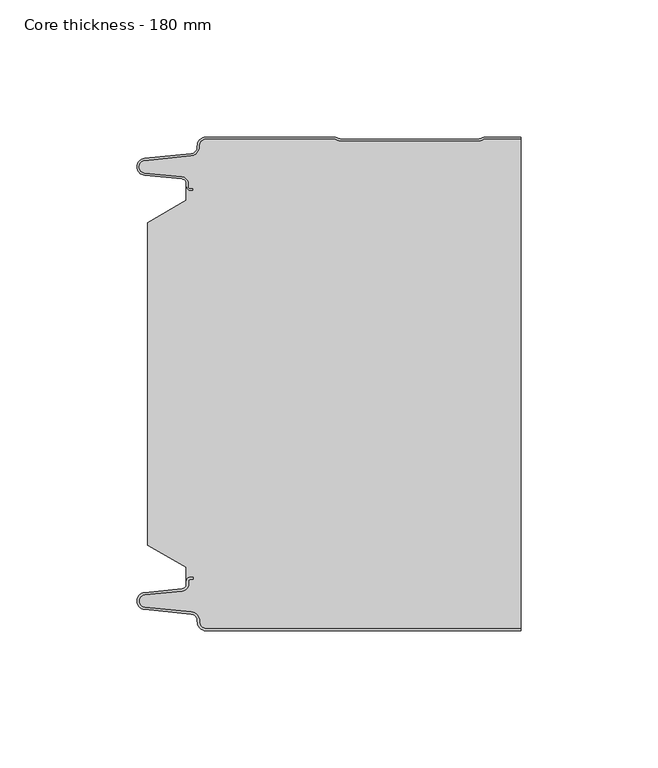
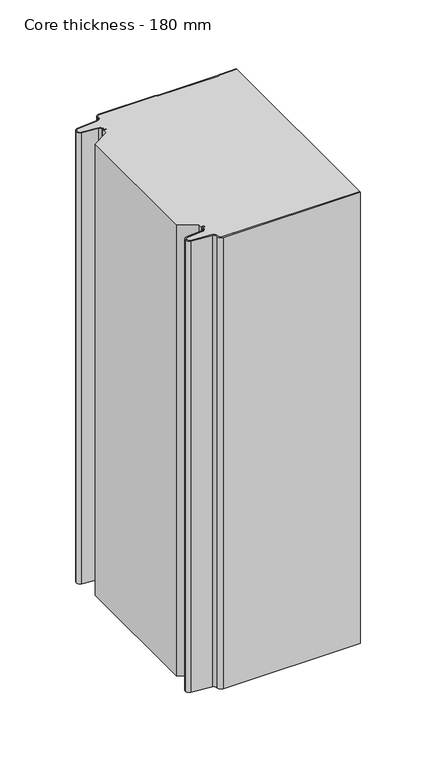
"""IFC4 building model written with IfcOpenShell, lengths in millimetres: plate geometry, Core thickness - 180 mm."""

from ifc_helpers import new_model, si_unit, frame, origin, place, context, project, spatial, polyline, circle_curve, source, transform, mapped, element, save
from ifc_brep_helpers import plane_surface, cylinder_surface, revolved_surface, advanced_brep


def core_thickness_180_mm_49a63801(model_context):
    return source(origin(), model_context, "Body", "AdvancedBrep", [
        advanced_brep(
        [(-44.8000003, -179.9996949, 0.0), (-47.9923632, -176.5787437, 0.0), (-50.2560431, -173.9171154, 0.0), (-67.2115315, -172.2546153, 0.0), (-69.9999998, -169.1776715, 0.0), (-67.2115315, -166.1007278, 0.0), (-53.6195785, -164.7680252, 0.0), (-51.9952277, -162.9766159, 0.0), (-51.9952277, -161.8996949, 0.0), (-50.5952277, -160.4996949, 0.0), (-49.4952277, -160.4996949, 0.0), (-49.4952277, -161.2996949, 0.0), (-50.5952277, -161.2996949, 0.0), (-51.1952277, -161.8996949, 0.0), (-51.1952277, -162.9766159, 0.0), (-53.5415122, -165.5642071, 0.0), (-67.1334652, -166.8969097, 0.0), (-69.1999997, -169.1776715, 0.0), (-67.1334652, -171.4584333, 0.0), (-50.1779767, -173.1209335, 0.0), (-47.2078761, -176.6330399, 0.0), (-44.8000003, -179.1996949, 0.0), (69.9999998, -179.2, 0.0), (69.9999998, -179.9996949, 0.0), (-44.8000003, -179.1996949, 400.0), (-47.1942724, -176.6339815, 400.0), (-50.1779767, -173.1209335, 400.0), (-67.1334652, -171.4584333, 400.0), (-69.1999997, -169.1776715, 400.0), (-67.1334652, -166.8969097, 400.0), (-53.5415122, -165.5642071, 400.0), (-51.1952277, -162.9766159, 400.0), (-51.1952277, -161.8996949, 400.0), (-50.5952277, -161.2996949, 400.0), (-49.4952277, -161.2996949, 400.0), (-49.4952277, -160.4996949, 400.0), (-50.5952277, -160.4996949, 400.0), (-51.9952277, -161.8996949, 400.0), (-51.9952277, -162.9766159, 400.0), (-53.6195785, -164.7680252, 400.0), (-67.2115315, -166.1007278, 400.0), (-69.9999998, -169.1776715, 400.0), (-67.2115315, -172.2546153, 400.0), (-50.2560431, -173.9171154, 400.0), (-48.0059668, -176.5778021, 400.0), (-44.8000003, -179.9996949, 400.0), (69.9999998, -179.9996949, 400.0), (69.9999998, -179.2, 400.0)],
        [
            (0, 1, circle_curve(frame((-44.8000003, -176.7996949, 0.0), z_axis=(0.0, 0.0, -1.0), x_axis=(1.0, 0.0, 0.0)), 3.2)),
            (1, 2, circle_curve(frame((-50.5000003, -176.4051839, 0.0), z_axis=(0.0, 0.0, 1.0), x_axis=(1.0, 0.0, 0.0)), 2.5)),
            (2, 3),
            (3, 4, circle_curve(frame((-66.9100003, -169.1793626, 0.0), z_axis=(0.0, 0.0, -1.0), x_axis=(1.0, 0.0, 0.0)), 3.09)),
            (4, 5, circle_curve(frame((-66.9100003, -169.1759805, 0.0), z_axis=(0.0, 0.0, -1.0), x_axis=(1.0, 0.0, 0.0)), 3.09)),
            (5, 6),
            (6, 7, circle_curve(frame((-53.7952277, -162.9766159, 0.0), z_axis=(0.0, 0.0, 1.0), x_axis=(1.0, 0.0, 0.0)), 1.8)),
            (7, 8),
            (8, 9, circle_curve(frame((-50.5952277, -161.8996949, 0.0), z_axis=(0.0, 0.0, -1.0), x_axis=(1.0, 0.0, 0.0)), 1.4)),
            (9, 10),
            (10, 11),
            (11, 12),
            (12, 13, circle_curve(frame((-50.5952277, -161.8996949, 0.0), z_axis=(0.0, 0.0, 1.0), x_axis=(1.0, 0.0, 0.0)), 0.6)),
            (13, 14),
            (14, 15, circle_curve(frame((-53.7952277, -162.9766159, 0.0), z_axis=(0.0, 0.0, -1.0), x_axis=(1.0, 0.0, 0.0)), 2.6)),
            (15, 16),
            (16, 17, circle_curve(frame((-66.9100003, -169.1759805, 0.0), z_axis=(0.0, 0.0, 1.0), x_axis=(1.0, 0.0, 0.0)), 2.29)),
            (17, 18, circle_curve(frame((-66.9100003, -169.1793626, 0.0), z_axis=(0.0, 0.0, 1.0), x_axis=(1.0, 0.0, 0.0)), 2.29)),
            (18, 19),
            (19, 20, circle_curve(frame((-50.5000003, -176.4051839, 0.0), z_axis=(0.0, 0.0, -1.0), x_axis=(1.0, 0.0, 0.0)), 3.3)),
            (20, 21, circle_curve(frame((-44.8000003, -176.7996949, 0.0), z_axis=(0.0, 0.0, 1.0), x_axis=(1.0, 0.0, 0.0)), 2.4)),
            (21, 22),
            (22, 23),
            (23, 0),
            (24, 25, circle_curve(frame((-44.8000003, -176.7996949, 400.0), z_axis=(0.0, 0.0, -1.0), x_axis=(1.0, 0.0, 0.0)), 2.4)),
            (25, 26, circle_curve(frame((-50.5000003, -176.4051839, 400.0), z_axis=(0.0, 0.0, 1.0), x_axis=(1.0, 0.0, 0.0)), 3.3)),
            (26, 27),
            (27, 28, circle_curve(frame((-66.9100003, -169.1793626, 400.0), z_axis=(0.0, 0.0, -1.0), x_axis=(1.0, 0.0, 0.0)), 2.29)),
            (28, 29, circle_curve(frame((-66.9100003, -169.1759805, 400.0), z_axis=(0.0, 0.0, -1.0), x_axis=(1.0, 0.0, 0.0)), 2.29)),
            (29, 30),
            (30, 31, circle_curve(frame((-53.7952277, -162.9766159, 400.0), z_axis=(0.0, 0.0, 1.0), x_axis=(1.0, 0.0, 0.0)), 2.6)),
            (31, 32),
            (32, 33, circle_curve(frame((-50.5952277, -161.8996949, 400.0), z_axis=(0.0, 0.0, -1.0), x_axis=(1.0, 0.0, 0.0)), 0.6)),
            (33, 34),
            (34, 35),
            (35, 36),
            (36, 37, circle_curve(frame((-50.5952277, -161.8996949, 400.0), z_axis=(0.0, 0.0, 1.0), x_axis=(1.0, 0.0, 0.0)), 1.4)),
            (37, 38),
            (38, 39, circle_curve(frame((-53.7952277, -162.9766159, 400.0), z_axis=(0.0, 0.0, -1.0), x_axis=(1.0, 0.0, 0.0)), 1.8)),
            (39, 40),
            (40, 41, circle_curve(frame((-66.9100003, -169.1759805, 400.0), z_axis=(0.0, 0.0, 1.0), x_axis=(1.0, 0.0, 0.0)), 3.09)),
            (41, 42, circle_curve(frame((-66.9100003, -169.1793626, 400.0), z_axis=(0.0, 0.0, 1.0), x_axis=(1.0, 0.0, 0.0)), 3.09)),
            (42, 43),
            (43, 44, circle_curve(frame((-50.5000003, -176.4051839, 400.0), z_axis=(0.0, 0.0, -1.0), x_axis=(1.0, 0.0, 0.0)), 2.5)),
            (44, 45, circle_curve(frame((-44.8000003, -176.7996949, 400.0), z_axis=(0.0, 0.0, 1.0), x_axis=(1.0, 0.0, 0.0)), 3.2)),
            (45, 46),
            (46, 47),
            (47, 24),
            (21, 24),
            (47, 22),
            (20, 25),
            (19, 26),
            (18, 27),
            (17, 28),
            (16, 29),
            (15, 30),
            (14, 31),
            (13, 32),
            (12, 33),
            (11, 34),
            (10, 35),
            (9, 36),
            (8, 37),
            (7, 38),
            (6, 39),
            (5, 40),
            (4, 41),
            (3, 42),
            (2, 43),
            (1, 44),
            (0, 45),
            (23, 46),
        ],
        [
            plane_surface(frame((-69.9999998, -180.0, 0.0), z_axis=(0.0, 0.0, -1.0), x_axis=(0.0, 1.0, 0.0))),
            plane_surface(frame((-69.9999998, -180.0, 400.0), z_axis=(0.0, 0.0, 1.0), x_axis=(0.0, 1.0, 0.0))),
            plane_surface(frame((-44.8000003, -179.2, 0.0), z_axis=(0.0, 1.0, 0.0), x_axis=(0.0, 0.0, 1.0))),
            revolved_surface(polyline([(-42.4000003, -176.7996949, 400.0), (-42.4000003, -176.7996949, 0.0)]), (-44.8000003, -176.7996949, 0.0), (0.0, 0.0, 1.0)),
            cylinder_surface(frame((-50.5000003, -176.4051839, 0.0), z_axis=(0.0, 0.0, -1.0), x_axis=(1.0, 0.0, 0.0)), 3.3),
            plane_surface(frame((-67.1334652, -171.4584333, 0.0), z_axis=(0.09758289975914758, 0.9952273999818314, 0.0), x_axis=(0.0, 0.0, 1.0))),
            revolved_surface(polyline([(-64.62000029999999, -169.1793626, 400.0), (-64.62000029999999, -169.1793626, 0.0)]), (-66.9100003, -169.1793626, 0.0), (0.0, 0.0, 1.0)),
            revolved_surface(polyline([(-64.62000029999999, -169.1759805, 400.0), (-64.62000029999999, -169.1759805, 0.0)]), (-66.9100003, -169.1759805, 0.0), (0.0, 0.0, 1.0)),
            plane_surface(frame((-53.5415122, -165.5642071, 0.0), z_axis=(0.09758289975914383, -0.9952273999818317, 0.0), x_axis=(0.0, 0.0, 1.0))),
            cylinder_surface(frame((-53.7952277, -162.9766159, 0.0), z_axis=(0.0, 0.0, -1.0), x_axis=(1.0, 0.0, 0.0)), 2.6),
            plane_surface(frame((-51.1952277, -161.8996949, 0.0), z_axis=(1.0, 0.0, 0.0), x_axis=(0.0, 0.0, 1.0))),
            revolved_surface(polyline([(-49.9952277, -161.8996949, 400.0), (-49.9952277, -161.8996949, 0.0)]), (-50.5952277, -161.8996949, 0.0), (0.0, 0.0, 1.0)),
            plane_surface(frame((-49.4952277, -161.2996949, 0.0), z_axis=(0.0, -1.0, 0.0), x_axis=(0.0, 0.0, 1.0))),
            plane_surface(frame((-49.4952277, -160.4996949, 0.0), z_axis=(1.0, 0.0, 0.0), x_axis=(0.0, 0.0, 1.0))),
            plane_surface(frame((-50.5952277, -160.4996949, 0.0), z_axis=(0.0, 1.0, 0.0), x_axis=(0.0, 0.0, 1.0))),
            cylinder_surface(frame((-50.5952277, -161.8996949, 0.0), z_axis=(0.0, 0.0, -1.0), x_axis=(1.0, 0.0, 0.0)), 1.4),
            plane_surface(frame((-51.9952277, -162.9766159, 0.0), z_axis=(-1.0, 0.0, 0.0), x_axis=(0.0, 0.0, 1.0))),
            revolved_surface(polyline([(-51.9952277, -162.9766159, 400.0), (-51.9952277, -162.9766159, 0.0)]), (-53.7952277, -162.9766159, 0.0), (0.0, 0.0, 1.0)),
            plane_surface(frame((-67.2115315, -166.1007278, 0.0), z_axis=(-0.09758289975914387, 0.9952273999818317, 0.0), x_axis=(0.0, 0.0, 1.0))),
            cylinder_surface(frame((-66.9100003, -169.1759805, 0.0), z_axis=(0.0, 0.0, -1.0), x_axis=(1.0, 0.0, 0.0)), 3.09),
            cylinder_surface(frame((-66.9100003, -169.1793626, 0.0), z_axis=(0.0, 0.0, -1.0), x_axis=(1.0, 0.0, 0.0)), 3.09),
            plane_surface(frame((-50.2560431, -173.9171154, 0.0), z_axis=(-0.09758289975914762, -0.9952273999818314, 0.0), x_axis=(0.0, 0.0, 1.0))),
            revolved_surface(polyline([(-48.0000003, -176.4051839, 400.0), (-48.0000003, -176.4051839, 0.0)]), (-50.5000003, -176.4051839, 0.0), (0.0, 0.0, 1.0)),
            cylinder_surface(frame((-44.8000003, -176.7996949, 0.0), z_axis=(0.0, 0.0, -1.0), x_axis=(1.0, 0.0, 0.0)), 3.2),
            plane_surface(frame((1046.009932, -179.9996949, 0.0), z_axis=(0.0, -1.0, 0.0), x_axis=(0.0, 0.0, 1.0))),
            plane_surface(frame((69.9999998, 180.0, 400.0), z_axis=(1.0, 0.0, 0.0), x_axis=(0.0, 0.0, -1.0))),
        ],
        [
            (0, [[1, 2, 3, 4, 5, 6, 7, 8, 9, 10, 11, 12, 13, 14, 15, 16, 17, 18, 19, 20, 21, 22, 23, 24]]),
            (1, [[25, 26, 27, 28, 29, 30, 31, 32, 33, 34, 35, 36, 37, 38, 39, 40, 41, 42, 43, 44, 45, 46, 47, 48]]),
            (2, [[49, -48, 50, -22]]),
            (3, [[-21, 51, -25, -49]]),
            (4, [[-20, 52, -26, -51]]),
            (5, [[-19, 53, -27, -52]]),
            (6, [[-18, 54, -28, -53]]),
            (7, [[-17, 55, -29, -54]]),
            (8, [[-16, 56, -30, -55]]),
            (9, [[-15, 57, -31, -56]]),
            (10, [[-14, 58, -32, -57]]),
            (11, [[-13, 59, -33, -58]]),
            (12, [[-12, 60, -34, -59]]),
            (13, [[-11, 61, -35, -60]]),
            (14, [[-10, 62, -36, -61]]),
            (15, [[-9, 63, -37, -62]]),
            (16, [[-8, 64, -38, -63]]),
            (17, [[-7, 65, -39, -64]]),
            (18, [[-6, 66, -40, -65]]),
            (19, [[-5, 67, -41, -66]]),
            (20, [[-4, 68, -42, -67]]),
            (21, [[-3, 69, -43, -68]]),
            (22, [[-2, 70, -44, -69]]),
            (23, [[-1, 71, -45, -70]]),
            (24, [[-71, -24, 72, -46]]),
            (25, [[-23, -50, -47, -72]]),
        ],
    ),
        advanced_brep(
        [(-51.9952277, -23.1062917, 400.0), (-66.0446509, -31.1628062, 400.0), (-66.0446509, -148.7531937, 400.0), (-51.9952277, -156.8937083, 400.0), (-51.9952277, -160.4996949, 400.0), (-51.9952277, -161.8996949, 400.0), (-50.5952277, -160.4996949, 400.0), (-49.4952277, -160.4996949, 400.0), (-49.4952277, -161.2996949, 400.0), (-50.5952277, -161.2996949, 400.0), (-51.1952277, -161.8996949, 400.0), (-51.1952277, -162.9766159, 400.0), (-53.5415122, -165.5642071, 400.0), (-67.1334652, -166.8969097, 400.0), (-69.1999997, -169.1776715, 400.0), (-67.1334652, -171.4584333, 400.0), (-50.1779767, -173.1209335, 400.0), (-47.2078761, -176.6330399, 400.0), (-44.8000003, -179.1996949, 400.0), (69.9999998, -179.2, 400.0), (69.9999998, -0.8, 400.0), (57.0487965, -0.8, 400.0), (55.9973806, -1.0986697, 400.0), (54.5769997, -1.5003051, 400.0), (4.4172165, -1.5003051, 400.0), (2.9978051, -1.0971009, 400.0), (1.9454197, -0.8, 400.0), (-44.8000003, -0.8, 400.0), (-47.1942724, -3.3660185, 400.0), (-50.1779767, -6.8790665, 400.0), (-67.1334652, -8.5415667, 400.0), (-69.1999997, -10.8223285, 400.0), (-67.1334652, -13.1030903, 400.0), (-53.5415122, -14.4357929, 400.0), (-51.1952277, -17.0233841, 400.0), (-51.1952277, -18.1003051, 400.0), (-50.5952277, -18.7003051, 400.0), (-49.4952277, -18.7003051, 400.0), (-49.4952277, -19.5003051, 400.0), (-50.5952277, -19.5003051, 400.0), (-51.9952277, -18.1003051, 400.0), (-51.9952277, -19.5003051, 400.0), (-51.9952277, -156.8937083, 0.0), (-66.0446509, -148.7531937, 0.0), (-66.0446509, -31.1628062, 0.0), (-51.9952277, -23.1062917, 0.0), (-51.9952277, -19.5003051, 0.0), (-51.9952277, -18.1003051, 0.0), (-50.5952277, -19.5003051, 0.0), (-49.4952277, -19.5003051, 0.0), (-49.4952277, -18.7003051, 0.0), (-50.5952277, -18.7003051, 0.0), (-51.1952277, -18.1003051, 0.0), (-51.1952277, -17.0233841, 0.0), (-53.5415122, -14.4357929, 0.0), (-67.1334652, -13.1030903, 0.0), (-69.1999997, -10.8223285, 0.0), (-67.1334652, -8.5415667, 0.0), (-50.1779767, -6.8790665, 0.0), (-47.2078761, -3.3669601, 0.0), (-44.8000003, -0.8003051, 0.0), (1.9454197, -0.8, 0.0), (2.9968355, -1.0986697, 0.0), (4.4172165, -1.5003051, 0.0), (54.5769997, -1.5003051, 0.0), (55.9964111, -1.0971009, 0.0), (57.0487965, -0.8, 0.0), (69.9999998, -0.8, 0.0), (69.9999998, -179.2, 0.0), (-44.8000003, -179.2, 0.0), (-47.1942724, -176.6339815, 0.0), (-50.1779767, -173.1209335, 0.0), (-67.1334652, -171.4584333, 0.0), (-69.1999997, -169.1776715, 0.0), (-67.1334652, -166.8969097, 0.0), (-53.5415122, -165.5642071, 0.0), (-51.1952277, -162.9766159, 0.0), (-51.1952277, -161.8996949, 0.0), (-50.5952277, -161.2996949, 0.0), (-49.4952277, -161.2996949, 0.0), (-49.4952277, -160.4996949, 0.0), (-50.5952277, -160.4996949, 0.0), (-51.9952277, -161.8996949, 0.0), (-51.9952277, -160.4996949, 0.0)],
        [
            (0, 1),
            (1, 2),
            (2, 3),
            (3, 4),
            (4, 5),
            (5, 6, circle_curve(frame((-50.5952277, -161.8996949, 400.0), z_axis=(0.0, 0.0, -1.0), x_axis=(1.0, 0.0, 0.0)), 1.4)),
            (6, 7),
            (7, 8),
            (8, 9),
            (9, 10, circle_curve(frame((-50.5952277, -161.8996949, 400.0), z_axis=(0.0, 0.0, 1.0), x_axis=(1.0, 0.0, 0.0)), 0.6)),
            (10, 11),
            (11, 12, circle_curve(frame((-53.7952277, -162.9766159, 400.0), z_axis=(0.0, 0.0, -1.0), x_axis=(1.0, 0.0, 0.0)), 2.6)),
            (12, 13),
            (13, 14, circle_curve(frame((-66.9100003, -169.1759805, 400.0), z_axis=(0.0, 0.0, 1.0), x_axis=(1.0, 0.0, 0.0)), 2.29)),
            (14, 15, circle_curve(frame((-66.9100003, -169.1793626, 400.0), z_axis=(0.0, 0.0, 1.0), x_axis=(1.0, 0.0, 0.0)), 2.29)),
            (15, 16),
            (16, 17, circle_curve(frame((-50.5000003, -176.4051839, 400.0), z_axis=(0.0, 0.0, -1.0), x_axis=(1.0, 0.0, 0.0)), 3.3)),
            (17, 18, circle_curve(frame((-44.8000003, -176.7996949, 400.0), z_axis=(0.0, 0.0, 1.0), x_axis=(1.0, 0.0, 0.0)), 2.4)),
            (18, 19),
            (19, 20),
            (20, 21),
            (21, 22, circle_curve(frame((57.0487965, -2.8, 400.0), z_axis=(0.0, 0.0, 1.0), x_axis=(1.0, 0.0, 0.0)), 2.0)),
            (22, 23, circle_curve(frame((54.5769997, 1.1996949, 400.0), z_axis=(0.0, 0.0, -1.0), x_axis=(1.0, 0.0, 0.0)), 2.7)),
            (23, 24),
            (24, 25, circle_curve(frame((4.4172165, 1.1996949, 400.0), z_axis=(0.0, 0.0, -1.0), x_axis=(1.0, 0.0, 0.0)), 2.7)),
            (25, 26, circle_curve(frame((1.9454197, -2.8, 400.0), z_axis=(0.0, 0.0, 1.0), x_axis=(1.0, 0.0, 0.0)), 2.0)),
            (26, 27),
            (27, 28, circle_curve(frame((-44.8000003, -3.2003051, 400.0), z_axis=(0.0, 0.0, 1.0), x_axis=(1.0, 0.0, 0.0)), 2.4)),
            (28, 29, circle_curve(frame((-50.5000003, -3.5948161, 400.0), z_axis=(0.0, 0.0, -1.0), x_axis=(1.0, 0.0, 0.0)), 3.3)),
            (29, 30),
            (30, 31, circle_curve(frame((-66.9100003, -10.8206374, 400.0), z_axis=(0.0, 0.0, 1.0), x_axis=(1.0, 0.0, 0.0)), 2.29)),
            (31, 32, circle_curve(frame((-66.9100003, -10.8240195, 400.0), z_axis=(0.0, 0.0, 1.0), x_axis=(1.0, 0.0, 0.0)), 2.29)),
            (32, 33),
            (33, 34, circle_curve(frame((-53.7952277, -17.0233841, 400.0), z_axis=(0.0, 0.0, -1.0), x_axis=(1.0, 0.0, 0.0)), 2.6)),
            (34, 35),
            (35, 36, circle_curve(frame((-50.5952277, -18.1003051, 400.0), z_axis=(0.0, 0.0, 1.0), x_axis=(1.0, 0.0, 0.0)), 0.6)),
            (36, 37),
            (37, 38),
            (38, 39),
            (39, 40, circle_curve(frame((-50.5952277, -18.1003051, 400.0), z_axis=(0.0, 0.0, -1.0), x_axis=(1.0, 0.0, 0.0)), 1.4)),
            (40, 41),
            (41, 0),
            (42, 43),
            (43, 44),
            (44, 45),
            (45, 46),
            (46, 47),
            (47, 48, circle_curve(frame((-50.5952277, -18.1003051, 0.0), z_axis=(0.0, 0.0, 1.0), x_axis=(1.0, 0.0, 0.0)), 1.4)),
            (48, 49),
            (49, 50),
            (50, 51),
            (51, 52, circle_curve(frame((-50.5952277, -18.1003051, 0.0), z_axis=(0.0, 0.0, -1.0), x_axis=(1.0, 0.0, 0.0)), 0.6)),
            (52, 53),
            (53, 54, circle_curve(frame((-53.7952277, -17.0233841, 0.0), z_axis=(0.0, 0.0, 1.0), x_axis=(1.0, 0.0, 0.0)), 2.6)),
            (54, 55),
            (55, 56, circle_curve(frame((-66.9100003, -10.8240195, 0.0), z_axis=(0.0, 0.0, -1.0), x_axis=(1.0, 0.0, 0.0)), 2.29)),
            (56, 57, circle_curve(frame((-66.9100003, -10.8206374, 0.0), z_axis=(0.0, 0.0, -1.0), x_axis=(1.0, 0.0, 0.0)), 2.29)),
            (57, 58),
            (58, 59, circle_curve(frame((-50.5000003, -3.5948161, 0.0), z_axis=(0.0, 0.0, 1.0), x_axis=(1.0, 0.0, 0.0)), 3.3)),
            (59, 60, circle_curve(frame((-44.8000003, -3.2003051, 0.0), z_axis=(0.0, 0.0, -1.0), x_axis=(1.0, 0.0, 0.0)), 2.4)),
            (60, 61),
            (61, 62, circle_curve(frame((1.9454197, -2.8, 0.0), z_axis=(0.0, 0.0, -1.0), x_axis=(1.0, 0.0, 0.0)), 2.0)),
            (62, 63, circle_curve(frame((4.4172165, 1.1996949, 0.0), z_axis=(0.0, 0.0, 1.0), x_axis=(1.0, 0.0, 0.0)), 2.7)),
            (63, 64),
            (64, 65, circle_curve(frame((54.5769997, 1.1996949, 0.0), z_axis=(0.0, 0.0, 1.0), x_axis=(1.0, 0.0, 0.0)), 2.7)),
            (65, 66, circle_curve(frame((57.0487965, -2.8, 0.0), z_axis=(0.0, 0.0, -1.0), x_axis=(1.0, 0.0, 0.0)), 2.0)),
            (66, 67),
            (67, 68),
            (68, 69),
            (69, 70, circle_curve(frame((-44.8000003, -176.7996949, 0.0), z_axis=(0.0, 0.0, -1.0), x_axis=(1.0, 0.0, 0.0)), 2.4)),
            (70, 71, circle_curve(frame((-50.5000003, -176.4051839, 0.0), z_axis=(0.0, 0.0, 1.0), x_axis=(1.0, 0.0, 0.0)), 3.3)),
            (71, 72),
            (72, 73, circle_curve(frame((-66.9100003, -169.1793626, 0.0), z_axis=(0.0, 0.0, -1.0), x_axis=(1.0, 0.0, 0.0)), 2.29)),
            (73, 74, circle_curve(frame((-66.9100003, -169.1759805, 0.0), z_axis=(0.0, 0.0, -1.0), x_axis=(1.0, 0.0, 0.0)), 2.29)),
            (74, 75),
            (75, 76, circle_curve(frame((-53.7952277, -162.9766159, 0.0), z_axis=(0.0, 0.0, 1.0), x_axis=(1.0, 0.0, 0.0)), 2.6)),
            (76, 77),
            (77, 78, circle_curve(frame((-50.5952277, -161.8996949, 0.0), z_axis=(0.0, 0.0, -1.0), x_axis=(1.0, 0.0, 0.0)), 0.6)),
            (78, 79),
            (79, 80),
            (80, 81),
            (81, 82, circle_curve(frame((-50.5952277, -161.8996949, 0.0), z_axis=(0.0, 0.0, 1.0), x_axis=(1.0, 0.0, 0.0)), 1.4)),
            (82, 83),
            (83, 42),
            (45, 0),
            (40, 47),
            (1, 44),
            (43, 2),
            (42, 3),
            (82, 5),
            (18, 69),
            (68, 19),
            (17, 70),
            (16, 71),
            (15, 72),
            (14, 73),
            (13, 74),
            (12, 75),
            (11, 76),
            (10, 77),
            (9, 78),
            (8, 79),
            (7, 80),
            (6, 81),
            (60, 27),
            (26, 61),
            (25, 62),
            (24, 63),
            (23, 64),
            (22, 65),
            (21, 66),
            (20, 67),
            (39, 48),
            (38, 49),
            (37, 50),
            (36, 51),
            (35, 52),
            (34, 53),
            (33, 54),
            (32, 55),
            (31, 56),
            (30, 57),
            (29, 58),
            (28, 59),
        ],
        [
            plane_surface(frame((-69.9999998, 0.0, 400.0), z_axis=(0.0, 0.0, 1.0), x_axis=(0.0, -1.0, 0.0))),
            plane_surface(frame((-69.9999998, 0.0, 0.0), z_axis=(0.0, 0.0, -1.0), x_axis=(0.0, -1.0, 0.0))),
            plane_surface(frame((-51.9952277, -17.0229218, 400.0), z_axis=(-1.0, 0.0, 0.0), x_axis=(0.0, 0.0, -1.0))),
            plane_surface(frame((-66.0446509, -31.1628062, 400.0), z_axis=(-1.0, 0.0, 0.0), x_axis=(0.0, 0.0, -1.0))),
            plane_surface(frame((-51.9952277, -23.1062917, 400.0), z_axis=(-0.4974543664933155, 0.8674901459133322, 0.0), x_axis=(0.0, 0.0, -1.0))),
            plane_surface(frame((-66.0446509, -148.7531937, 400.0), z_axis=(-0.5013424225369615, -0.8652489672717159, 0.0), x_axis=(0.0, 0.0, -1.0))),
            plane_surface(frame((-51.9952277, -156.8937083, 400.0), z_axis=(-1.0, 0.0, 0.0), x_axis=(0.0, 0.0, -1.0))),
            plane_surface(frame((1046.009932, -179.2, 530.0), z_axis=(0.0, -1.0, 0.0), x_axis=(0.0, 0.0, -1.0))),
            cylinder_surface(frame((-44.8000003, -176.7996949, 530.0), z_axis=(0.0, 0.0, -1.0), x_axis=(1.0, 0.0, 0.0)), 2.4),
            revolved_surface(polyline([(-47.200000300000006, -176.4051839, 400.0), (-47.200000300000006, -176.4051839, 0.0)]), (-50.5000003, -176.4051839, 530.0), (0.0, 0.0, 1.0)),
            plane_surface(frame((-50.1779767, -173.1209335, 530.0), z_axis=(-0.09758289975914758, -0.9952273999818314, 0.0), x_axis=(0.0, 0.0, -1.0))),
            cylinder_surface(frame((-66.9100003, -169.1793626, 530.0), z_axis=(0.0, 0.0, -1.0), x_axis=(1.0, 0.0, 0.0)), 2.29),
            cylinder_surface(frame((-66.9100003, -169.1759805, 530.0), z_axis=(0.0, 0.0, -1.0), x_axis=(1.0, 0.0, 0.0)), 2.29),
            plane_surface(frame((-67.1334652, -166.8969097, 530.0), z_axis=(-0.09758289975914383, 0.9952273999818317, 0.0), x_axis=(0.0, 0.0, -1.0))),
            revolved_surface(polyline([(-51.1952277, -162.9766159, 400.0), (-51.1952277, -162.9766159, 0.0)]), (-53.7952277, -162.9766159, 530.0), (0.0, 0.0, 1.0)),
            plane_surface(frame((-51.1952277, -162.9766159, 530.0), z_axis=(-1.0, 0.0, 0.0), x_axis=(0.0, 0.0, -1.0))),
            cylinder_surface(frame((-50.5952277, -161.8996949, 530.0), z_axis=(0.0, 0.0, -1.0), x_axis=(1.0, 0.0, 0.0)), 0.6),
            plane_surface(frame((-50.5952277, -161.2996949, 530.0), z_axis=(0.0, 1.0, 0.0), x_axis=(0.0, 0.0, -1.0))),
            plane_surface(frame((-49.4952277, -161.2996949, 530.0), z_axis=(-1.0, 0.0, 0.0), x_axis=(0.0, 0.0, -1.0))),
            plane_surface(frame((-49.4952277, -160.4996949, 530.0), z_axis=(0.0, -1.0, 0.0), x_axis=(0.0, 0.0, -1.0))),
            revolved_surface(polyline([(-49.195227700000004, -161.8996949, 400.0), (-49.195227700000004, -161.8996949, 0.0)]), (-50.5952277, -161.8996949, 530.0), (0.0, 0.0, 1.0)),
            plane_surface(frame((-44.8000003, -0.8, 530.0), z_axis=(0.0, 1.0, 0.0), x_axis=(0.0, 0.0, -1.0))),
            cylinder_surface(frame((1.9454197, -2.8, 530.0), z_axis=(0.0, 0.0, -1.0), x_axis=(1.0, 0.0, 0.0)), 2.0),
            revolved_surface(polyline([(7.1172165000000005, 1.1996949, 400.0), (7.1172165000000005, 1.1996949, 0.0)]), (4.4172165, 1.1996949, 530.0), (0.0, 0.0, 1.0)),
            plane_surface(frame((4.4172165, -1.5003051, 530.0), z_axis=(0.0, 1.0, 0.0), x_axis=(0.0, 0.0, -1.0))),
            revolved_surface(polyline([(57.276999700000005, 1.1996949, 400.0), (57.276999700000005, 1.1996949, 0.0)]), (54.5769997, 1.1996949, 530.0), (0.0, 0.0, 1.0)),
            cylinder_surface(frame((57.0487965, -2.8, 530.0), z_axis=(0.0, 0.0, -1.0), x_axis=(1.0, 0.0, 0.0)), 2.0),
            plane_surface(frame((57.0487965, -0.8, 530.0), z_axis=(0.0, 1.0, 0.0), x_axis=(0.0, 0.0, -1.0))),
            revolved_surface(polyline([(-49.195227700000004, -18.1003051, 400.0), (-49.195227700000004, -18.1003051, 0.0)]), (-50.5952277, -18.1003051, 530.0), (0.0, 0.0, 1.0)),
            plane_surface(frame((-50.5952277, -19.5003051, 530.0), z_axis=(0.0, 1.0, 0.0), x_axis=(0.0, 0.0, -1.0))),
            plane_surface(frame((-49.4952277, -19.5003051, 530.0), z_axis=(-1.0, 0.0, 0.0), x_axis=(0.0, 0.0, -1.0))),
            plane_surface(frame((-49.4952277, -18.7003051, 530.0), z_axis=(0.0, -1.0, 0.0), x_axis=(0.0, 0.0, -1.0))),
            cylinder_surface(frame((-50.5952277, -18.1003051, 530.0), z_axis=(0.0, 0.0, -1.0), x_axis=(1.0, 0.0, 0.0)), 0.6),
            plane_surface(frame((-51.1952277, -18.1003051, 530.0), z_axis=(-1.0, 0.0, 0.0), x_axis=(0.0, 0.0, -1.0))),
            revolved_surface(polyline([(-51.1952277, -17.0233841, 400.0), (-51.1952277, -17.0233841, 0.0)]), (-53.7952277, -17.0233841, 530.0), (0.0, 0.0, 1.0)),
            plane_surface(frame((-53.5415122, -14.4357929, 530.0), z_axis=(-0.09758289975914705, -0.9952273999818314, 0.0), x_axis=(0.0, 0.0, -1.0))),
            cylinder_surface(frame((-66.9100003, -10.8240195, 530.0), z_axis=(0.0, 0.0, -1.0), x_axis=(1.0, 0.0, 0.0)), 2.29),
            cylinder_surface(frame((-66.9100003, -10.8206374, 530.0), z_axis=(0.0, 0.0, -1.0), x_axis=(1.0, 0.0, 0.0)), 2.29),
            plane_surface(frame((-67.1334652, -8.5415667, 530.0), z_axis=(-0.09758289975914436, 0.9952273999818317, 0.0), x_axis=(0.0, 0.0, -1.0))),
            revolved_surface(polyline([(-47.200000300000006, -3.5948161, 400.0), (-47.200000300000006, -3.5948161, 0.0)]), (-50.5000003, -3.5948161, 530.0), (0.0, 0.0, 1.0)),
            cylinder_surface(frame((-44.8000003, -3.2003051, 530.0), z_axis=(0.0, 0.0, -1.0), x_axis=(1.0, 0.0, 0.0)), 2.4),
            plane_surface(frame((69.9999998, 180.0, 400.0), z_axis=(1.0, 0.0, 0.0), x_axis=(0.0, 0.0, -1.0))),
        ],
        [
            (0, [[1, 2, 3, 4, 5, 6, 7, 8, 9, 10, 11, 12, 13, 14, 15, 16, 17, 18, 19, 20, 21, 22, 23, 24, 25, 26, 27, 28, 29, 30, 31, 32, 33, 34, 35, 36, 37, 38, 39, 40, 41, 42]]),
            (1, [[43, 44, 45, 46, 47, 48, 49, 50, 51, 52, 53, 54, 55, 56, 57, 58, 59, 60, 61, 62, 63, 64, 65, 66, 67, 68, 69, 70, 71, 72, 73, 74, 75, 76, 77, 78, 79, 80, 81, 82, 83, 84]]),
            (2, [[85, -42, -41, 86, -47, -46]]),
            (3, [[-2, 87, -44, 88]]),
            (4, [[-1, -85, -45, -87]]),
            (5, [[-3, -88, -43, 89]]),
            (6, [[-89, -84, -83, 90, -5, -4]]),
            (7, [[91, -69, 92, -19]]),
            (8, [[-91, -18, 93, -70]]),
            (9, [[-93, -17, 94, -71]]),
            (10, [[-94, -16, 95, -72]]),
            (11, [[-95, -15, 96, -73]]),
            (12, [[-96, -14, 97, -74]]),
            (13, [[-97, -13, 98, -75]]),
            (14, [[-98, -12, 99, -76]]),
            (15, [[-99, -11, 100, -77]]),
            (16, [[-100, -10, 101, -78]]),
            (17, [[-101, -9, 102, -79]]),
            (18, [[-102, -8, 103, -80]]),
            (19, [[-103, -7, 104, -81]]),
            (20, [[-104, -6, -90, -82]]),
            (21, [[105, -27, 106, -61]]),
            (22, [[-106, -26, 107, -62]]),
            (23, [[-107, -25, 108, -63]]),
            (24, [[-108, -24, 109, -64]]),
            (25, [[-109, -23, 110, -65]]),
            (26, [[-110, -22, 111, -66]]),
            (27, [[-111, -21, 112, -67]]),
            (28, [[113, -48, -86, -40]]),
            (29, [[-113, -39, 114, -49]]),
            (30, [[-114, -38, 115, -50]]),
            (31, [[-115, -37, 116, -51]]),
            (32, [[-116, -36, 117, -52]]),
            (33, [[-117, -35, 118, -53]]),
            (34, [[-118, -34, 119, -54]]),
            (35, [[-119, -33, 120, -55]]),
            (36, [[-120, -32, 121, -56]]),
            (37, [[-121, -31, 122, -57]]),
            (38, [[-122, -30, 123, -58]]),
            (39, [[-123, -29, 124, -59]]),
            (40, [[-105, -60, -124, -28]]),
            (41, [[-92, -68, -112, -20]]),
        ],
    ),
        advanced_brep(
        [(2.9968355, -1.0986697, 0.0), (1.9454197, -0.8, 0.0), (-44.8000003, -0.8, 0.0), (-47.1942724, -3.3660185, 0.0), (-50.1779767, -6.8790665, 0.0), (-67.1334652, -8.5415667, 0.0), (-69.1999997, -10.8223285, 0.0), (-67.1334652, -13.1030903, 0.0), (-53.5415122, -14.4357929, 0.0), (-51.1952277, -17.0233841, 0.0), (-51.1952277, -18.1003051, 0.0), (-50.5952277, -18.7003051, 0.0), (-49.4952277, -18.7003051, 0.0), (-49.4952277, -19.5003051, 0.0), (-50.5952277, -19.5003051, 0.0), (-51.9952277, -18.1003051, 0.0), (-51.9952277, -17.0233841, 0.0), (-53.6195785, -15.2319748, 0.0), (-67.2115315, -13.8992722, 0.0), (-69.9999998, -10.8223285, 0.0), (-67.2115315, -7.7453847, 0.0), (-50.2560431, -6.0828846, 0.0), (-48.0059668, -3.4221979, 0.0), (-44.8000003, -0.0003051, 0.0), (1.9454197, -0.0003051, 0.0), (3.3647528, -0.4034608, 0.0), (4.4172165, -0.7003051, 0.0), (54.5769997, -0.7003051, 0.0), (55.6283575, -0.4016712, 0.0), (57.0487965, -0.0003051, 0.0), (69.9999998, -0.0003051, 0.0), (69.9999998, -0.8, 0.0), (57.0487965, -0.8, 0.0), (55.9973806, -1.0986697, 0.0), (54.5769997, -1.5003051, 0.0), (4.4172165, -1.5003051, 0.0), (2.9978051, -1.0971009, 400.0), (4.4172165, -1.5003051, 400.0), (54.5769997, -1.5003051, 400.0), (55.9964111, -1.0971009, 400.0), (57.0487965, -0.8, 400.0), (69.9999998, -0.8, 400.0), (69.9999998, -0.0003051, 400.0), (57.0487965, -0.0003051, 400.0), (55.6294634, -0.4034608, 400.0), (54.5769997, -0.7003051, 400.0), (4.4172165, -0.7003051, 400.0), (3.3658586, -0.4016712, 400.0), (1.9454197, -0.0003051, 400.0), (-44.8000003, -0.0003051, 400.0), (-47.9923632, -3.4212563, 400.0), (-50.2560431, -6.0828846, 400.0), (-67.2115315, -7.7453847, 400.0), (-69.9999998, -10.8223285, 400.0), (-67.2115315, -13.8992722, 400.0), (-53.6195785, -15.2319748, 400.0), (-51.9952277, -17.0233841, 400.0), (-51.9952277, -18.1003051, 400.0), (-50.5952277, -19.5003051, 400.0), (-49.4952277, -19.5003051, 400.0), (-49.4952277, -18.7003051, 400.0), (-50.5952277, -18.7003051, 400.0), (-51.1952277, -18.1003051, 400.0), (-51.1952277, -17.0233841, 400.0), (-53.5415122, -14.4357929, 400.0), (-67.1334652, -13.1030903, 400.0), (-69.1999997, -10.8223285, 400.0), (-67.1334652, -8.5415667, 400.0), (-50.1779767, -6.8790665, 400.0), (-47.2078761, -3.3669601, 400.0), (-44.8000003, -0.8003051, 400.0), (1.9454197, -0.8, 400.0)],
        [
            (0, 1, circle_curve(frame((1.9454197, -2.8, 0.0), z_axis=(0.0, 0.0, 1.0), x_axis=(1.0, 0.0, 0.0)), 2.0)),
            (1, 2),
            (2, 3, circle_curve(frame((-44.8000003, -3.2003051, 0.0), z_axis=(0.0, 0.0, 1.0), x_axis=(1.0, 0.0, 0.0)), 2.4)),
            (3, 4, circle_curve(frame((-50.5000003, -3.5948161, 0.0), z_axis=(0.0, 0.0, -1.0), x_axis=(1.0, 0.0, 0.0)), 3.3)),
            (4, 5),
            (5, 6, circle_curve(frame((-66.9100003, -10.8206374, 0.0), z_axis=(0.0, 0.0, 1.0), x_axis=(1.0, 0.0, 0.0)), 2.29)),
            (6, 7, circle_curve(frame((-66.9100003, -10.8240195, 0.0), z_axis=(0.0, 0.0, 1.0), x_axis=(1.0, 0.0, 0.0)), 2.29)),
            (7, 8),
            (8, 9, circle_curve(frame((-53.7952277, -17.0233841, 0.0), z_axis=(0.0, 0.0, -1.0), x_axis=(1.0, 0.0, 0.0)), 2.6)),
            (9, 10),
            (10, 11, circle_curve(frame((-50.5952277, -18.1003051, 0.0), z_axis=(0.0, 0.0, 1.0), x_axis=(1.0, 0.0, 0.0)), 0.6)),
            (11, 12),
            (12, 13),
            (13, 14),
            (14, 15, circle_curve(frame((-50.5952277, -18.1003051, 0.0), z_axis=(0.0, 0.0, -1.0), x_axis=(1.0, 0.0, 0.0)), 1.4)),
            (15, 16),
            (16, 17, circle_curve(frame((-53.7952277, -17.0233841, 0.0), z_axis=(0.0, 0.0, 1.0), x_axis=(1.0, 0.0, 0.0)), 1.8)),
            (17, 18),
            (18, 19, circle_curve(frame((-66.9100003, -10.8240195, 0.0), z_axis=(0.0, 0.0, -1.0), x_axis=(1.0, 0.0, 0.0)), 3.09)),
            (19, 20, circle_curve(frame((-66.9100003, -10.8206374, 0.0), z_axis=(0.0, 0.0, -1.0), x_axis=(1.0, 0.0, 0.0)), 3.09)),
            (20, 21),
            (21, 22, circle_curve(frame((-50.5000003, -3.5948161, 0.0), z_axis=(0.0, 0.0, 1.0), x_axis=(1.0, 0.0, 0.0)), 2.5)),
            (22, 23, circle_curve(frame((-44.8000003, -3.2003051, 0.0), z_axis=(0.0, 0.0, -1.0), x_axis=(1.0, 0.0, 0.0)), 3.2)),
            (23, 24),
            (24, 25, circle_curve(frame((1.9454197, -2.7003051, 0.0), z_axis=(0.0, 0.0, -1.0), x_axis=(1.0, 0.0, 0.0)), 2.7)),
            (25, 26, circle_curve(frame((4.4172165, 1.2996949, 0.0), z_axis=(0.0, 0.0, 1.0), x_axis=(1.0, 0.0, 0.0)), 2.0)),
            (26, 27),
            (27, 28, circle_curve(frame((54.5769997, 1.2996949, 0.0), z_axis=(0.0, 0.0, 1.0), x_axis=(1.0, 0.0, 0.0)), 2.0)),
            (28, 29, circle_curve(frame((57.0487965, -2.7003051, 0.0), z_axis=(0.0, 0.0, -1.0), x_axis=(1.0, 0.0, 0.0)), 2.7)),
            (29, 30),
            (30, 31),
            (31, 32),
            (32, 33, circle_curve(frame((57.0487965, -2.8, 0.0), z_axis=(0.0, 0.0, 1.0), x_axis=(1.0, 0.0, 0.0)), 2.0)),
            (33, 34, circle_curve(frame((54.5769997, 1.1996949, 0.0), z_axis=(0.0, 0.0, -1.0), x_axis=(1.0, 0.0, 0.0)), 2.7)),
            (34, 35),
            (35, 0, circle_curve(frame((4.4172165, 1.1996949, 0.0), z_axis=(0.0, 0.0, -1.0), x_axis=(1.0, 0.0, 0.0)), 2.7)),
            (36, 37, circle_curve(frame((4.4172165, 1.1996949, 400.0), z_axis=(0.0, 0.0, 1.0), x_axis=(1.0, 0.0, 0.0)), 2.7)),
            (37, 38),
            (38, 39, circle_curve(frame((54.5769997, 1.1996949, 400.0), z_axis=(0.0, 0.0, 1.0), x_axis=(1.0, 0.0, 0.0)), 2.7)),
            (39, 40, circle_curve(frame((57.0487965, -2.8, 400.0), z_axis=(0.0, 0.0, -1.0), x_axis=(1.0, 0.0, 0.0)), 2.0)),
            (40, 41),
            (41, 42),
            (42, 43),
            (43, 44, circle_curve(frame((57.0487965, -2.7003051, 400.0), z_axis=(0.0, 0.0, 1.0), x_axis=(1.0, 0.0, 0.0)), 2.7)),
            (44, 45, circle_curve(frame((54.5769997, 1.2996949, 400.0), z_axis=(0.0, 0.0, -1.0), x_axis=(1.0, 0.0, 0.0)), 2.0)),
            (45, 46),
            (46, 47, circle_curve(frame((4.4172165, 1.2996949, 400.0), z_axis=(0.0, 0.0, -1.0), x_axis=(1.0, 0.0, 0.0)), 2.0)),
            (47, 48, circle_curve(frame((1.9454197, -2.7003051, 400.0), z_axis=(0.0, 0.0, 1.0), x_axis=(1.0, 0.0, 0.0)), 2.7)),
            (48, 49),
            (49, 50, circle_curve(frame((-44.8000003, -3.2003051, 400.0), z_axis=(0.0, 0.0, 1.0), x_axis=(1.0, 0.0, 0.0)), 3.2)),
            (50, 51, circle_curve(frame((-50.5000003, -3.5948161, 400.0), z_axis=(0.0, 0.0, -1.0), x_axis=(1.0, 0.0, 0.0)), 2.5)),
            (51, 52),
            (52, 53, circle_curve(frame((-66.9100003, -10.8206374, 400.0), z_axis=(0.0, 0.0, 1.0), x_axis=(1.0, 0.0, 0.0)), 3.09)),
            (53, 54, circle_curve(frame((-66.9100003, -10.8240195, 400.0), z_axis=(0.0, 0.0, 1.0), x_axis=(1.0, 0.0, 0.0)), 3.09)),
            (54, 55),
            (55, 56, circle_curve(frame((-53.7952277, -17.0233841, 400.0), z_axis=(0.0, 0.0, -1.0), x_axis=(1.0, 0.0, 0.0)), 1.8)),
            (56, 57),
            (57, 58, circle_curve(frame((-50.5952277, -18.1003051, 400.0), z_axis=(0.0, 0.0, 1.0), x_axis=(1.0, 0.0, 0.0)), 1.4)),
            (58, 59),
            (59, 60),
            (60, 61),
            (61, 62, circle_curve(frame((-50.5952277, -18.1003051, 400.0), z_axis=(0.0, 0.0, -1.0), x_axis=(1.0, 0.0, 0.0)), 0.6)),
            (62, 63),
            (63, 64, circle_curve(frame((-53.7952277, -17.0233841, 400.0), z_axis=(0.0, 0.0, 1.0), x_axis=(1.0, 0.0, 0.0)), 2.6)),
            (64, 65),
            (65, 66, circle_curve(frame((-66.9100003, -10.8240195, 400.0), z_axis=(0.0, 0.0, -1.0), x_axis=(1.0, 0.0, 0.0)), 2.29)),
            (66, 67, circle_curve(frame((-66.9100003, -10.8206374, 400.0), z_axis=(0.0, 0.0, -1.0), x_axis=(1.0, 0.0, 0.0)), 2.29)),
            (67, 68),
            (68, 69, circle_curve(frame((-50.5000003, -3.5948161, 400.0), z_axis=(0.0, 0.0, 1.0), x_axis=(1.0, 0.0, 0.0)), 3.3)),
            (69, 70, circle_curve(frame((-44.8000003, -3.2003051, 400.0), z_axis=(0.0, 0.0, -1.0), x_axis=(1.0, 0.0, 0.0)), 2.4)),
            (70, 71),
            (71, 36, circle_curve(frame((1.9454197, -2.8, 400.0), z_axis=(0.0, 0.0, -1.0), x_axis=(1.0, 0.0, 0.0)), 2.0)),
            (0, 36),
            (71, 1),
            (70, 2),
            (69, 3),
            (68, 4),
            (67, 5),
            (66, 6),
            (65, 7),
            (64, 8),
            (63, 9),
            (62, 10),
            (61, 11),
            (60, 12),
            (59, 13),
            (58, 14),
            (57, 15),
            (56, 16),
            (55, 17),
            (54, 18),
            (53, 19),
            (52, 20),
            (51, 21),
            (50, 22),
            (49, 23),
            (48, 24),
            (47, 25),
            (46, 26),
            (45, 27),
            (44, 28),
            (43, 29),
            (42, 30),
            (40, 32),
            (31, 41),
            (39, 33),
            (38, 34),
            (37, 35),
        ],
        [
            plane_surface(frame((-69.9999998, 0.0, 0.0), z_axis=(0.0, 0.0, -1.0), x_axis=(0.0, -1.0, 0.0))),
            plane_surface(frame((-69.9999998, 0.0, 400.0), z_axis=(0.0, 0.0, 1.0), x_axis=(0.0, -1.0, 0.0))),
            revolved_surface(polyline([(3.9454197, -2.8, 400.0), (3.9454197, -2.8, 0.0)]), (1.9454197, -2.8, 0.0), (0.0, 0.0, 1.0)),
            plane_surface(frame((1.9454197, -0.8, 0.0), z_axis=(0.0, -1.0, 0.0), x_axis=(0.0, 0.0, 1.0))),
            revolved_surface(polyline([(-42.4000003, -3.2003051, 400.0), (-42.4000003, -3.2003051, 0.0)]), (-44.8000003, -3.2003051, 0.0), (0.0, 0.0, 1.0)),
            cylinder_surface(frame((-50.5000003, -3.5948161, 0.0), z_axis=(0.0, 0.0, -1.0), x_axis=(1.0, 0.0, 0.0)), 3.3),
            plane_surface(frame((-50.1779767, -6.8790665, 0.0), z_axis=(0.09758289975914113, -0.9952273999818321, 0.0), x_axis=(0.0, 0.0, 1.0))),
            revolved_surface(polyline([(-64.62000029999999, -10.8206374, 400.0), (-64.62000029999999, -10.8206374, 0.0)]), (-66.9100003, -10.8206374, 0.0), (0.0, 0.0, 1.0)),
            revolved_surface(polyline([(-64.62000029999999, -10.8240195, 400.0), (-64.62000029999999, -10.8240195, 0.0)]), (-66.9100003, -10.8240195, 0.0), (0.0, 0.0, 1.0)),
            plane_surface(frame((-67.1334652, -13.1030903, 0.0), z_axis=(0.0975828997591503, 0.9952273999818312, 0.0), x_axis=(0.0, 0.0, 1.0))),
            cylinder_surface(frame((-53.7952277, -17.0233841, 0.0), z_axis=(0.0, 0.0, -1.0), x_axis=(1.0, 0.0, 0.0)), 2.6),
            plane_surface(frame((-51.1952277, -17.0233841, 0.0), z_axis=(1.0, 0.0, 0.0), x_axis=(0.0, 0.0, 1.0))),
            revolved_surface(polyline([(-49.9952277, -18.1003051, 400.0), (-49.9952277, -18.1003051, 0.0)]), (-50.5952277, -18.1003051, 0.0), (0.0, 0.0, 1.0)),
            plane_surface(frame((-50.5952277, -18.7003051, 0.0), z_axis=(0.0, 1.0, 0.0), x_axis=(0.0, 0.0, 1.0))),
            plane_surface(frame((-49.4952277, -18.7003051, 0.0), z_axis=(1.0, 0.0, 0.0), x_axis=(0.0, 0.0, 1.0))),
            plane_surface(frame((-49.4952277, -19.5003051, 0.0), z_axis=(0.0, -1.0, 0.0), x_axis=(0.0, 0.0, 1.0))),
            cylinder_surface(frame((-50.5952277, -18.1003051, 0.0), z_axis=(0.0, 0.0, -1.0), x_axis=(1.0, 0.0, 0.0)), 1.4),
            plane_surface(frame((-51.9952277, -18.1003051, 0.0), z_axis=(-1.0, 0.0, 0.0), x_axis=(0.0, 0.0, 1.0))),
            revolved_surface(polyline([(-51.9952277, -17.0233841, 400.0), (-51.9952277, -17.0233841, 0.0)]), (-53.7952277, -17.0233841, 0.0), (0.0, 0.0, 1.0)),
            plane_surface(frame((-53.6195785, -15.2319748, 0.0), z_axis=(-0.09758289975915034, -0.9952273999818312, 0.0), x_axis=(0.0, 0.0, 1.0))),
            cylinder_surface(frame((-66.9100003, -10.8240195, 0.0), z_axis=(0.0, 0.0, -1.0), x_axis=(1.0, 0.0, 0.0)), 3.09),
            cylinder_surface(frame((-66.9100003, -10.8206374, 0.0), z_axis=(0.0, 0.0, -1.0), x_axis=(1.0, 0.0, 0.0)), 3.09),
            plane_surface(frame((-67.2115315, -7.7453847, 0.0), z_axis=(-0.09758289975914117, 0.9952273999818321, 0.0), x_axis=(0.0, 0.0, 1.0))),
            revolved_surface(polyline([(-48.0000003, -3.5948161, 400.0), (-48.0000003, -3.5948161, 0.0)]), (-50.5000003, -3.5948161, 0.0), (0.0, 0.0, 1.0)),
            cylinder_surface(frame((-44.8000003, -3.2003051, 0.0), z_axis=(0.0, 0.0, -1.0), x_axis=(1.0, 0.0, 0.0)), 3.2),
            plane_surface(frame((-44.8000003, -0.0003051, 0.0), z_axis=(0.0, 1.0, 0.0), x_axis=(0.0, 0.0, 1.0))),
            cylinder_surface(frame((1.9454197, -2.7003051, 0.0), z_axis=(0.0, 0.0, -1.0), x_axis=(1.0, 0.0, 0.0)), 2.7),
            revolved_surface(polyline([(6.4172165, 1.2996949, 400.0), (6.4172165, 1.2996949, 0.0)]), (4.4172165, 1.2996949, 0.0), (0.0, 0.0, 1.0)),
            plane_surface(frame((4.4172165, -0.7003051, 0.0), z_axis=(0.0, 1.0, 0.0), x_axis=(0.0, 0.0, 1.0))),
            revolved_surface(polyline([(56.5769997, 1.2996949, 400.0), (56.5769997, 1.2996949, 0.0)]), (54.5769997, 1.2996949, 0.0), (0.0, 0.0, 1.0)),
            cylinder_surface(frame((57.0487965, -2.7003051, 0.0), z_axis=(0.0, 0.0, -1.0), x_axis=(1.0, 0.0, 0.0)), 2.7),
            plane_surface(frame((57.0487965, -0.0003051, 0.0), z_axis=(0.0, 1.0, 0.0), x_axis=(0.0, 0.0, 1.0))),
            plane_surface(frame((107.2085797, -0.8, 0.0), z_axis=(0.0, -1.0, 0.0), x_axis=(0.0, 0.0, 1.0))),
            revolved_surface(polyline([(59.0487965, -2.8, 400.0), (59.0487965, -2.8, 0.0)]), (57.0487965, -2.8, 0.0), (0.0, 0.0, 1.0)),
            cylinder_surface(frame((54.5769997, 1.1996949, 0.0), z_axis=(0.0, 0.0, -1.0), x_axis=(1.0, 0.0, 0.0)), 2.7),
            plane_surface(frame((54.5769997, -1.5003051, 0.0), z_axis=(0.0, -1.0, 0.0), x_axis=(0.0, 0.0, 1.0))),
            cylinder_surface(frame((4.4172165, 1.1996949, 0.0), z_axis=(0.0, 0.0, -1.0), x_axis=(1.0, 0.0, 0.0)), 2.7),
            plane_surface(frame((69.9999998, 180.0, 400.0), z_axis=(1.0, 0.0, 0.0), x_axis=(0.0, 0.0, -1.0))),
        ],
        [
            (0, [[1, 2, 3, 4, 5, 6, 7, 8, 9, 10, 11, 12, 13, 14, 15, 16, 17, 18, 19, 20, 21, 22, 23, 24, 25, 26, 27, 28, 29, 30, 31, 32, 33, 34, 35, 36]]),
            (1, [[37, 38, 39, 40, 41, 42, 43, 44, 45, 46, 47, 48, 49, 50, 51, 52, 53, 54, 55, 56, 57, 58, 59, 60, 61, 62, 63, 64, 65, 66, 67, 68, 69, 70, 71, 72]]),
            (2, [[-1, 73, -72, 74]]),
            (3, [[-2, -74, -71, 75]]),
            (4, [[-3, -75, -70, 76]]),
            (5, [[-4, -76, -69, 77]]),
            (6, [[-5, -77, -68, 78]]),
            (7, [[-6, -78, -67, 79]]),
            (8, [[-7, -79, -66, 80]]),
            (9, [[-8, -80, -65, 81]]),
            (10, [[-9, -81, -64, 82]]),
            (11, [[-10, -82, -63, 83]]),
            (12, [[-11, -83, -62, 84]]),
            (13, [[-12, -84, -61, 85]]),
            (14, [[-13, -85, -60, 86]]),
            (15, [[-14, -86, -59, 87]]),
            (16, [[-15, -87, -58, 88]]),
            (17, [[-16, -88, -57, 89]]),
            (18, [[-17, -89, -56, 90]]),
            (19, [[-18, -90, -55, 91]]),
            (20, [[-19, -91, -54, 92]]),
            (21, [[-20, -92, -53, 93]]),
            (22, [[-21, -93, -52, 94]]),
            (23, [[-22, -94, -51, 95]]),
            (24, [[-23, -95, -50, 96]]),
            (25, [[-24, -96, -49, 97]]),
            (26, [[-25, -97, -48, 98]]),
            (27, [[-26, -98, -47, 99]]),
            (28, [[-27, -99, -46, 100]]),
            (29, [[-28, -100, -45, 101]]),
            (30, [[-29, -101, -44, 102]]),
            (31, [[-102, -43, 103, -30]]),
            (32, [[104, -32, 105, -41]]),
            (33, [[-33, -104, -40, 106]]),
            (34, [[-34, -106, -39, 107]]),
            (35, [[-35, -107, -38, 108]]),
            (36, [[-36, -108, -37, -73]]),
            (37, [[-31, -103, -42, -105]]),
        ],
    ),
    ])


if __name__ == "__main__":
    model = new_model("IFC4")
    model_context = context("Model", 3, world=origin())
    ifc_project = project(units=[si_unit("LENGTHUNIT", "METRE", prefix="MILLI")], contexts=[model_context])
    site = spatial("IfcSite", under=ifc_project)
    building = spatial("IfcBuilding", under=site)
    placement = place(None, origin())
    core_thickness_180_mm_shape = core_thickness_180_mm_49a63801(model_context)
    element("IfcPlate", 1, ObjectType="Core thickness - 180 mm", at=placement, inside=building, context=model_context, shape_type="MappedRepresentation", body=[
        mapped(core_thickness_180_mm_shape, transform((0.0, 0.0, 0.0), x_axis=(1.0, 0.0, 0.0), y_axis=(0.0, 1.0, 0.0), z_axis=(0.0, 0.0, 1.0))),
    ])
    save(model, "model.ifc")
